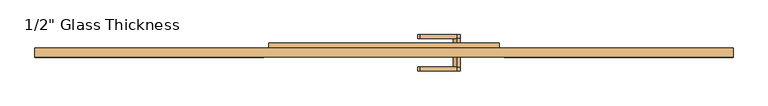
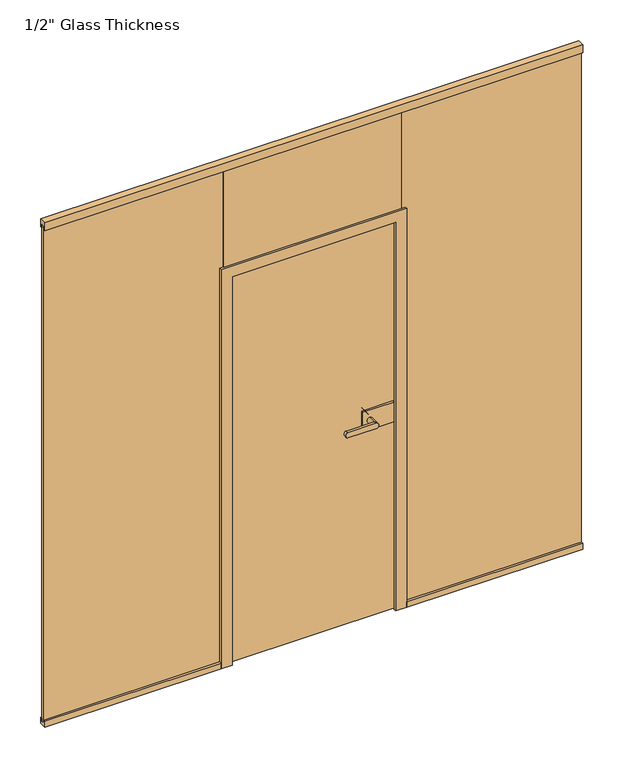
"""IFC4 building model written with IfcOpenShell, lengths in millimetres: door geometry."""

from ifc_helpers import new_model, si_unit, point, frame, frame_2d, origin, place, context, project, spatial, polyline, circle_curve, ellipse_curve, trimmed, segment, composite_curve, outline, extrude, faceted_brep, source, transform, mapped, element, save
from ifc_brep_helpers import plane_surface, cylinder_surface, extruded_surface, advanced_brep


def door_41130024(model_context):
    return source(origin(), model_context, "Body", "SolidModel", [
        extrude(outline(composite_curve([segment(trimmed(circle_curve(frame_2d((910.0, 242.0)), 11.9886308), [point((921.9886308, 242.0))], [point((898.0113692, 242.0))], False, "CARTESIAN"), True, "CONTINUOUS"), segment(trimmed(circle_curve(frame_2d((910.0, 242.0)), 11.9886308), [point((898.0113692, 242.0))], [point((921.9886308, 242.0))], False, "CARTESIAN"), True, "CONTINUOUS")], self_intersect=False)), frame((0.0, -54.56, 0.0), z_axis=(0.0, 1.0, 0.0), x_axis=(0.0, 0.0, 1.0)), (0.0, 0.0, 1.0), 33.5),
        advanced_brep(
        [(242.0, -54.56, 921.9886308), (242.0, -54.56, 898.0113692), (120.3382074, -54.56, 898.0113692), (120.3382074, -54.56, 921.9886308), (242.0, -67.06, 921.9886308), (120.3382074, -67.06, 921.9886308), (120.3382074, -67.06, 898.0113692), (242.0, -67.06, 898.0113692)],
        [
            (0, 1, circle_curve(frame((242.0, -54.56, 910.0), z_axis=(0.0, 1.0, 0.0), x_axis=(0.0, 0.0, -1.0)), 11.9886308)),
            (1, 2),
            (2, 3, ellipse_curve(frame((120.3382074, -54.56, 910.0), z_axis=(0.0, 1.0, 0.0), x_axis=(0.0, 0.0, 1.0)), 11.9886308, 7.9050795)),
            (3, 0),
            (4, 5),
            (5, 6, ellipse_curve(frame((120.3382074, -67.06, 910.0), z_axis=(0.0, -1.0, 0.0), x_axis=(0.0, 0.0, 1.0)), 11.9886308, 7.9050795)),
            (6, 7),
            (7, 4, circle_curve(frame((242.0, -67.06, 910.0), z_axis=(0.0, -1.0, 0.0), x_axis=(0.0, 0.0, -1.0)), 11.9886308)),
            (3, 5),
            (4, 0),
            (2, 6),
            (1, 7),
        ],
        [
            plane_surface(frame((120.3382074, -54.56, 921.9886308), z_axis=(0.0, 1.0, 0.0), x_axis=(-1.0, 0.0, 0.0))),
            plane_surface(frame((120.3382074, -67.06, 921.9886308), z_axis=(0.0, -1.0, 0.0), x_axis=(1.0, 0.0, 0.0))),
            plane_surface(frame((242.0, -54.56, 921.9886308), z_axis=(0.0, 0.0, 1.0), x_axis=(0.0, -1.0, 0.0))),
            extruded_surface(trimmed(ellipse_curve(frame((120.3382074, -67.06, 910.0), z_axis=(0.0, -1.0, 0.0), x_axis=(0.0, 0.0, 1.0)), 11.9886308, 7.9050795), [point((120.3382074, -67.06, 921.9886308))], [point((120.3382074, -67.06, 898.0113692))], True, "CARTESIAN"), (0.0, -12.5, 0.0), 12.5),
            plane_surface(frame((120.3382074, -54.56, 898.0113692), z_axis=(0.0, 0.0, -1.0), x_axis=(0.0, -1.0, 0.0))),
            cylinder_surface(frame((242.0, -67.06, 910.0), z_axis=(0.0, 1.0, 0.0), x_axis=(0.0, 0.0, -1.0)), 11.9886308),
        ],
        [
            (0, [[1, 2, 3, 4]]),
            (1, [[5, 6, 7, 8]]),
            (2, [[9, -5, 10, -4]]),
            (3, [[11, -6, -9, -3]]),
            (4, [[12, -7, -11, -2]]),
            (5, [[-10, -8, -12, -1]]),
        ],
    ),
        extrude(outline(polyline([(346.0, -11.06), (346.0, -21.06), (212.0, -21.06), (212.0, -11.06), (346.0, -11.06)])), frame((0.0, 0.0, 865.0), z_axis=(0.0, 0.0, 1.0), x_axis=(1.0, 0.0, 0.0)), (0.0, 0.0, 1.0), 90.0),
        extrude(outline(polyline([(362.0, 6.94), (362.0, -3.06), (212.0, -3.06), (212.0, 6.94), (362.0, 6.94)])), frame((0.0, 0.0, 865.0), z_axis=(0.0, 0.0, 1.0), x_axis=(1.0, 0.0, 0.0)), (0.0, 0.0, 1.0), 90.0),
        advanced_brep(
        [(242.0, 6.94, 921.9886308), (242.0, 6.94, 898.0113692), (242.0, 40.4398825, 921.9886308), (242.0, 40.4398825, 898.0113692), (242.0, 52.9399695, 921.9886308), (242.0, 52.9399695, 898.0113692), (120.3382074, 52.9399695, 898.0113692), (120.3382074, 52.9399695, 921.9886308), (120.3382074, 40.4398825, 921.9886308), (120.3382074, 40.4398825, 898.0113692)],
        [
            (0, 1, circle_curve(frame((242.0, 6.94, 910.0), z_axis=(0.0, -1.0, 0.0), x_axis=(0.0, 0.0, -1.0)), 11.9886308)),
            (1, 0, circle_curve(frame((242.0, 6.94, 910.0), z_axis=(0.0, -1.0, 0.0), x_axis=(0.0, 0.0, -1.0)), 11.9886308)),
            (0, 2),
            (2, 3, circle_curve(frame((242.0, 40.4398825, 910.0), z_axis=(0.0, -1.0, 0.0), x_axis=(0.0, 0.0, -1.0)), 11.9886308)),
            (3, 1),
            (3, 2, circle_curve(frame((242.0, 40.4398825, 910.0), z_axis=(0.0, -1.0, 0.0), x_axis=(0.0, 0.0, -1.0)), 11.9886308)),
            (4, 5, circle_curve(frame((242.0, 52.9399695, 910.0), z_axis=(0.0, 1.0, 0.0), x_axis=(0.0, 0.0, -1.0)), 11.9886308)),
            (5, 6),
            (6, 7, ellipse_curve(frame((120.3382074, 52.9399695, 910.0), z_axis=(0.0, 1.0, 0.0), x_axis=(0.0, 0.0, 1.0)), 11.9886308, 7.9050795)),
            (7, 4),
            (2, 8),
            (8, 9, ellipse_curve(frame((120.3382074, 40.4398825, 910.0), z_axis=(0.0, -1.0, 0.0), x_axis=(0.0, 0.0, 1.0)), 11.9886308, 7.9050795)),
            (9, 3),
            (7, 8),
            (2, 4),
            (6, 9),
            (5, 3),
        ],
        [
            plane_surface(frame((242.0, 6.94, 898.0113692), z_axis=(0.0, -1.0, 0.0), x_axis=(-1.0, 0.0, 0.0))),
            cylinder_surface(frame((242.0, 6.94, 910.0), z_axis=(0.0, 1.0, 0.0), x_axis=(0.0, 0.0, -1.0)), 11.9886308),
            plane_surface(frame((120.3382074, 52.9399695, 921.9886308), z_axis=(0.0, 1.0, 0.0), x_axis=(-1.0, 0.0, 0.0))),
            plane_surface(frame((120.3382074, 40.4398825, 921.9886308), z_axis=(0.0, -1.0, 0.0), x_axis=(1.0, 0.0, 0.0))),
            plane_surface(frame((242.0, 52.9399695, 921.9886308), z_axis=(0.0, 0.0, 1.0), x_axis=(0.0, -1.0, 0.0))),
            extruded_surface(trimmed(ellipse_curve(frame((120.3382074, 40.4398825, 910.0), z_axis=(0.0, -1.0, 0.0), x_axis=(0.0, 0.0, 1.0)), 11.9886308, 7.9050795), [point((120.3382074, 40.4398825, 921.9886308))], [point((120.3382074, 40.4398825, 898.0113692))], True, "CARTESIAN"), (0.0, -12.500087000000004, 0.0), 12.500087000000004),
            plane_surface(frame((120.3382074, 52.9399695, 898.0113692), z_axis=(0.0, 0.0, -1.0), x_axis=(0.0, -1.0, 0.0))),
            cylinder_surface(frame((242.0, 40.4398825, 910.0), z_axis=(0.0, 1.0, 0.0), x_axis=(0.0, 0.0, -1.0)), 11.9886308),
        ],
        [
            (0, [[1, 2]]),
            (1, [[3, 4, 5, -1]]),
            (1, [[-5, 6, -3, -2]]),
            (2, [[7, 8, 9, 10]]),
            (3, [[-4, 11, 12, 13]]),
            (4, [[14, -11, 15, -10]]),
            (5, [[16, -12, -14, -9]]),
            (6, [[17, -13, -16, -8]]),
            (7, [[-15, -6, -17, -7]]),
        ],
    ),
        extrude(outline(polyline([(382.0, 0.0), (382.0, -12.0), (-382.0, -12.0), (-382.0, 0.0), (382.0, 0.0)])), frame((0.0, 0.0, 1807.2), z_axis=(0.0, 0.0, 1.0), x_axis=(1.0, 0.0, 0.0)), (0.0, 0.0, 1.0), 472.8),
        extrude(outline(polyline([(1160.5, 0.0), (1160.5, -12.0), (386.0, -12.0), (386.0, 0.0), (1160.5, 0.0)])), frame((0.0, 0.0, 13.0), z_axis=(0.0, 0.0, 1.0), x_axis=(1.0, 0.0, 0.0)), (0.0, 0.0, 1.0), 2267.0),
        extrude(outline(polyline([(-22.06, 0.0), (-22.06, 26.0), (-12.0, 26.0), (-12.0, 13.0), (0.0, 13.0), (0.0, 26.0), (7.94, 26.0), (7.94, 0.0), (-22.06, 0.0)])), frame((400.0, 0.0, 0.0), z_axis=(1.0, 0.0, 0.0), x_axis=(0.0, 1.0, 0.0)), (0.0, 0.0, 1.0), 760.5),
        extrude(outline(polyline([(-22.06, 2300.0), (7.94, 2300.0), (7.94, 2265.0), (0.0, 2265.0), (0.0, 2280.0), (-12.0, 2280.0), (-12.0, 2265.0), (-22.06, 2265.0), (-22.06, 2300.0)])), frame((-1160.5, 0.0, 0.0), z_axis=(1.0, 0.0, 0.0), x_axis=(0.0, 1.0, 0.0)), (0.0, 0.0, 1.0), 2321.0),
        extrude(outline(polyline([(-22.06, 0.0), (-22.06, 26.0), (-12.0, 26.0), (-12.0, 13.0), (0.0, 13.0), (0.0, 26.0), (7.94, 26.0), (7.94, 0.0), (-22.06, 0.0)])), frame((-1160.5, 0.0, 0.0), z_axis=(1.0, 0.0, 0.0), x_axis=(0.0, 1.0, 0.0)), (0.0, 0.0, 1.0), 760.5),
        extrude(outline(polyline([(-1160.5, 0.0), (-386.0, 0.0), (-386.0, -8.0), (-1160.5, -8.0), (-1160.5, 0.0)])), frame((0.0, 0.0, 13.0), z_axis=(0.0, 0.0, 1.0), x_axis=(1.0, 0.0, 0.0)), (0.0, 0.0, 1.0), 2267.0),
        faceted_brep([(-365.9, -11.06, 0.0), (-353.0, -11.06, 0.0), (-353.0, -22.06, 0.0), (-400.0, -22.06, 0.0), (-400.0, -12.0, 0.0), (-386.0, -12.0, 0.0), (-386.0, 0.0, 0.0), (-400.0, 0.0, 0.0), (-400.0, 7.94, 0.0), (-383.0, 7.94, 0.0), (-383.0, 25.94, 0.0), (-365.9, 25.94, 0.0), (365.9, -11.06, 0.0), (365.9, 25.94, 0.0), (383.0, 25.94, 0.0), (383.0, 7.94, 0.0), (400.0, 7.94, 0.0), (400.0, 0.0, 0.0), (386.0, 0.0, 0.0), (386.0, -12.0, 0.0), (400.0, -12.0, 0.0), (400.0, -22.06, 0.0), (353.0, -22.06, 0.0), (353.0, -11.06, 0.0), (353.0, -22.06, 1773.0), (353.0, -11.06, 1773.0), (400.0, -12.0, 1820.0), (400.0, -22.06, 1820.0), (386.0, 0.0, 1806.0), (386.0, -12.0, 1806.0), (400.0, 7.94, 1820.0), (400.0, 0.0, 1820.0), (383.0, 25.94, 1803.0), (383.0, 7.94, 1803.0), (365.9, -11.06, 1785.9), (365.9, 25.94, 1785.9), (-365.9, -11.06, 1785.9), (-353.0, -11.06, 1773.0), (-353.0, -22.06, 1773.0), (-400.0, -22.06, 1820.0), (-400.0, -12.0, 1820.0), (-386.0, -12.0, 1806.0), (-386.0, 0.0, 1806.0), (-400.0, 0.0, 1820.0), (-400.0, 7.94, 1820.0), (-383.0, 7.94, 1803.0), (-383.0, 25.94, 1803.0), (-365.9, 25.94, 1785.9)], [[[0, 1, 2, 3, 4, 5, 6, 7, 8, 9, 10, 11]], [[12, 13, 14, 15, 16, 17, 18, 19, 20, 21, 22, 23]], [[24, 25, 23, 22]], [[26, 27, 21, 20]], [[28, 29, 19, 18]], [[30, 31, 17, 16]], [[32, 33, 15, 14]], [[34, 35, 13, 12]], [[1, 0, 36, 34, 12, 23, 25, 37]], [[2, 1, 37, 38]], [[3, 2, 38, 24, 22, 21, 27, 39]], [[4, 3, 39, 40]], [[5, 4, 40, 26, 20, 19, 29, 41]], [[6, 5, 41, 42]], [[7, 6, 42, 28, 18, 17, 31, 43]], [[8, 7, 43, 44]], [[9, 8, 44, 30, 16, 15, 33, 45]], [[10, 9, 45, 46]], [[11, 10, 46, 32, 14, 13, 35, 47]], [[0, 11, 47, 36]], [[38, 37, 25, 24]], [[40, 39, 27, 26]], [[42, 41, 29, 28]], [[44, 43, 31, 30]], [[46, 45, 33, 32]], [[36, 47, 35, 34]]]),
        extrude(outline(polyline([(361.0, -3.06), (361.0, -11.06), (-362.0, -11.06), (-362.0, -3.06), (361.0, -3.06)])), frame((0.0, 0.0, 7.0), z_axis=(0.0, 0.0, 1.0), x_axis=(1.0, 0.0, 0.0)), (0.0, 0.0, 1.0), 1775.0),
    ])


if __name__ == "__main__":
    model = new_model("IFC4")
    model_context = context("Model", 3, world=origin())
    ifc_project = project(units=[si_unit("LENGTHUNIT", "METRE", prefix="MILLI")], contexts=[model_context])
    site = spatial("IfcSite", under=ifc_project)
    building = spatial("IfcBuilding", under=site)
    placement = place(None, origin())
    door_shape = door_41130024(model_context)
    element("IfcDoor", 1, ObjectType="1/2\" Glass Thickness", at=placement, inside=building, context=model_context, shape_type="MappedRepresentation", body=[
        mapped(door_shape, transform((0.0, 0.0, 0.0), x_axis=(1.0, 0.0, 0.0), y_axis=(0.0, 1.0, 0.0), z_axis=(0.0, 0.0, 1.0))),
    ])
    save(model, "model.ifc")
